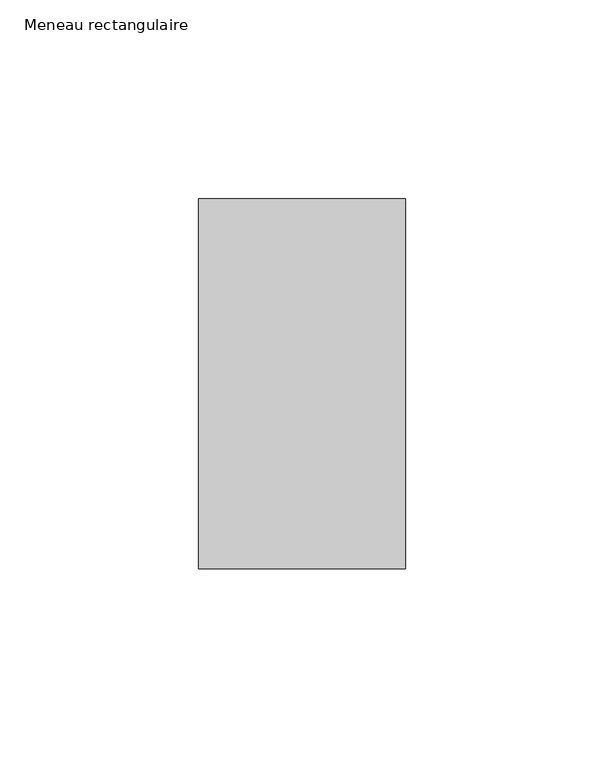
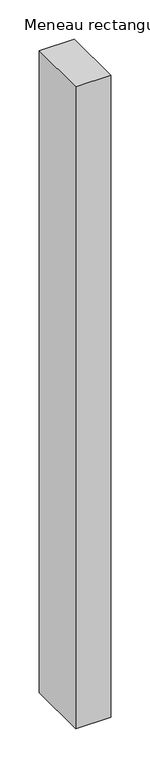
"""IFC4 building model written with IfcOpenShell, lengths in millimetres: member geometry, Meneau rectangulaire."""

from ifc_helpers import new_model, si_unit, frame, origin, place, context, project, spatial, polyline, outline, extrude, source, transform, mapped, element, save


def meneau_rectangulaire_6a615c96(model_context):
    return source(origin(), model_context, "Body", "SweptSolid", [
        extrude(outline(polyline([(-52.0, 46.5), (0.0, 46.5), (0.0, -46.5), (-52.0, -46.5), (-52.0, 46.5)])), frame((0.0, 0.0, -1000.8830689), z_axis=(0.0, 0.0, 1.0), x_axis=(1.0, 0.0, 0.0)), (0.0, 0.0, 1.0), 1000.8830689),
    ])


if __name__ == "__main__":
    model = new_model("IFC4")
    model_context = context("Model", 3, world=origin())
    ifc_project = project(units=[si_unit("LENGTHUNIT", "METRE", prefix="MILLI")], contexts=[model_context])
    site = spatial("IfcSite", under=ifc_project)
    building = spatial("IfcBuilding", under=site)
    placement = place(None, origin())
    meneau_rectangulaire_shape = meneau_rectangulaire_6a615c96(model_context)
    element("IfcMember", 1, ObjectType="Meneau rectangulaire", at=placement, inside=building, context=model_context, shape_type="MappedRepresentation", body=[
        mapped(meneau_rectangulaire_shape, transform((0.0, 0.0, 0.0), x_axis=(1.0, 0.0, 0.0), y_axis=(0.0, 1.0, 0.0), z_axis=(0.0, 0.0, 1.0))),
    ])
    save(model, "model.ifc")
